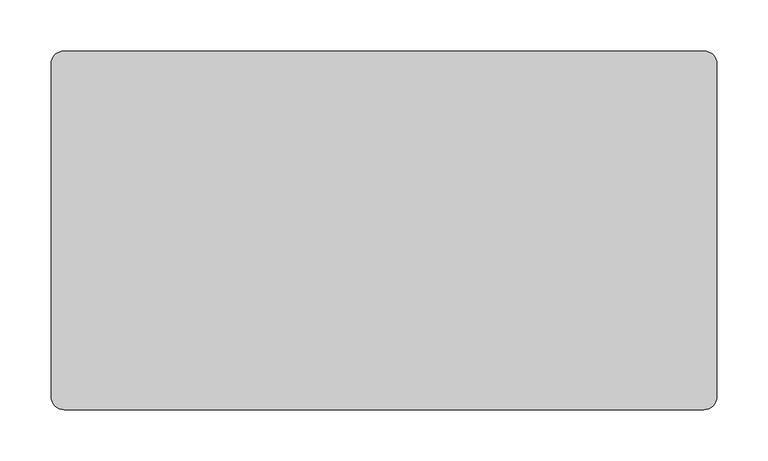
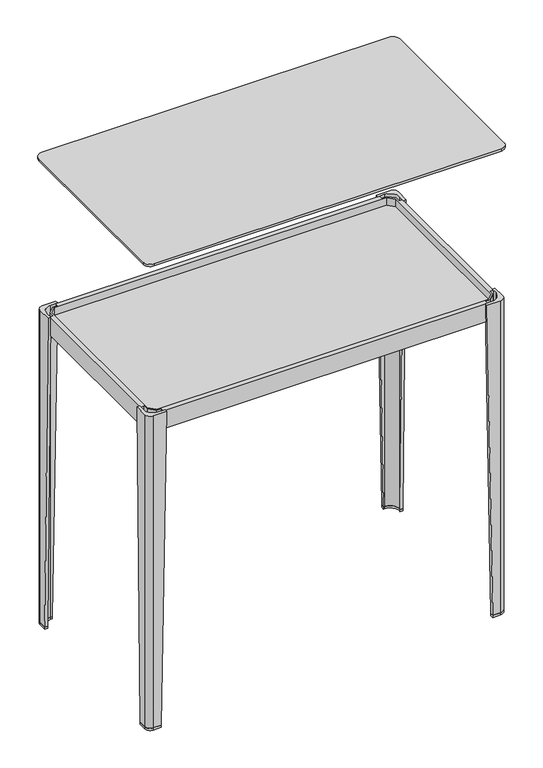
"""IFC4 building model written with IfcOpenShell, lengths in millimetres: furniture geometry."""

from ifc_helpers import new_model, si_unit, point, frame, frame_2d, origin, place, context, project, spatial, polyline, circle_curve, trimmed, segment, composite_curve, outline, extrude, source, transform, mapped, element, save
from ifc_brep_helpers import plane_surface, cylinder_surface, revolved_surface, advanced_brep


def furniture_9d32c331(model_context):
    return source(origin(), model_context, "Body", "SolidModel", [
        advanced_brep(
        [(156.1747115, -150.3399901, 276.4600147), (162.174712, -150.3399901, 276.4600147), (162.174712, -141.2900835, 276.4600147), (145.2247824, -124.3400512, 276.4600147), (136.1747127, -124.3399964, 276.4600147), (136.1747127, -130.3400481, 276.4600147), (145.5681096, -130.3400481, 276.4600147), (156.1747115, -140.9465954, 276.4600147), (156.1747115, -142.5065293, 261.4600037), (156.1747115, -140.9465954, 261.4600037), (145.5681096, -130.3400481, 261.4600037), (144.0082257, -130.3400481, 261.4600037), (144.0082257, -124.3400439, 261.4600037), (145.2247824, -124.3400512, 261.4600037), (162.174712, -141.2900835, 261.4600037), (162.174712, -142.5065293, 261.4600037)],
        [
            (0, 1),
            (1, 2),
            (2, 3, circle_curve(frame((145.2246797, -141.2900835, 276.4600147), z_axis=(0.0, 0.0, 1.0), x_axis=(0.0, 1.0, 0.0)), 16.9500323)),
            (3, 4),
            (4, 5),
            (5, 6),
            (6, 7),
            (7, 0),
            (8, 9),
            (9, 10),
            (10, 11),
            (11, 12),
            (12, 13),
            (13, 14, circle_curve(frame((145.2246797, -141.2900835, 261.4600037), z_axis=(0.0, 0.0, -1.0), x_axis=(0.0, 1.0, 0.0)), 16.9500323)),
            (14, 15),
            (15, 8),
            (15, 1),
            (0, 8),
            (14, 2),
            (13, 3),
            (12, 4),
            (11, 5),
            (10, 6),
            (9, 7),
        ],
        [
            plane_surface(frame((149.9801455, -136.5346004, 276.4600147), z_axis=(0.0, 0.0, 1.0), x_axis=(1.0, 0.0, 0.0))),
            plane_surface(frame((151.9385238, -134.5762411, 261.4600037), z_axis=(0.0, 0.0, -1.0), x_axis=(1.0, 0.0, 0.0))),
            plane_surface(frame((159.1747117, -142.5065293, 261.4600037), z_axis=(0.0, -0.8864062173017687, -0.46290821760773443), x_axis=(1.0, 0.0, 0.0))),
            plane_surface(frame((162.174712, -141.8983064, 261.4600037), z_axis=(1.0, 0.0, 0.0), x_axis=(0.0, 1.0, 0.0))),
            cylinder_surface(frame((145.2246797, -141.2900835, 261.4600037), z_axis=(0.0, 0.0, 1.0), x_axis=(0.0, 1.0, 0.0)), 16.9500323),
            plane_surface(frame((144.6165041, -124.3400475, 261.4600037), z_axis=(6.055831599460142e-06, 0.9999999999816634, 0.0), x_axis=(-0.9999999999816634, 6.055831599460142e-06, 0.0))),
            plane_surface(frame((144.0082257, -127.340046, 261.4600037), z_axis=(-0.8864049508100555, 0.0, -0.46291064275886235), x_axis=(0.0, -1.0, 0.0))),
            plane_surface(frame((144.7881677, -130.3400481, 261.4600037), z_axis=(0.0, -1.0, 0.0), x_axis=(1.0, 0.0, 0.0))),
            plane_surface(frame((150.8714105, -135.6433217, 261.4600037), z_axis=(-0.7071049644303125, -0.7071085979381149, 0.0), x_axis=(0.7071085979381149, -0.7071049644303125, 0.0))),
            plane_surface(frame((156.1747115, -141.7265623, 261.4600037), z_axis=(-1.0, 0.0, 0.0), x_axis=(0.0, -1.0, 0.0))),
        ],
        [
            (0, [[1, 2, 3, 4, 5, 6, 7, 8]]),
            (1, [[9, 10, 11, 12, 13, 14, 15, 16]]),
            (2, [[-16, 17, -1, 18]]),
            (3, [[-15, 19, -2, -17]]),
            (4, [[-14, 20, -3, -19]]),
            (5, [[-13, 21, -4, -20]]),
            (6, [[-12, 22, -5, -21]]),
            (7, [[-11, 23, -6, -22]]),
            (8, [[-10, 24, -7, -23]]),
            (9, [[-9, -18, -8, -24]]),
        ],
    ),
        advanced_brep(
        [(-467.0652878, -150.3399901, 276.4600147), (-467.0652878, -140.9465954, 276.4600147), (-456.4586859, -130.3400481, 276.4600147), (-447.065289, -130.3400481, 276.4600147), (-447.065289, -124.3399964, 276.4600147), (-456.1153587, -124.3400512, 276.4600147), (-473.0652883, -141.2900835, 276.4600147), (-473.0652883, -150.3399901, 276.4600147), (-467.0652878, -142.5065293, 261.4600037), (-473.0652883, -142.5065293, 261.4600037), (-473.0652883, -141.2900835, 261.4600037), (-456.1153587, -124.3400512, 261.4600037), (-454.898802, -124.3400439, 261.4600037), (-454.898802, -130.3400481, 261.4600037), (-456.4586859, -130.3400481, 261.4600037), (-467.0652878, -140.9465954, 261.4600037)],
        [
            (0, 1),
            (1, 2),
            (2, 3),
            (3, 4),
            (4, 5),
            (5, 6, circle_curve(frame((-456.115256, -141.2900835, 276.4600147), z_axis=(0.0, 0.0, 1.0), x_axis=(-0.9999999999816634, -6.055831308072628e-06, 0.0)), 16.9500323)),
            (6, 7),
            (7, 0),
            (8, 9),
            (9, 10),
            (10, 11, circle_curve(frame((-456.115256, -141.2900835, 261.4600037), z_axis=(0.0, 0.0, -1.0), x_axis=(-0.9999999999816634, -6.055831308072628e-06, 0.0)), 16.9500323)),
            (11, 12),
            (12, 13),
            (13, 14),
            (14, 15),
            (15, 8),
            (8, 0),
            (7, 9),
            (6, 10),
            (5, 11),
            (4, 12),
            (3, 13),
            (2, 14),
            (1, 15),
        ],
        [
            plane_surface(frame((-460.8707218, -136.5346004, 276.4600147), z_axis=(0.0, 0.0, 1.0), x_axis=(0.0, 1.0, 0.0))),
            plane_surface(frame((-462.8291001, -134.5762411, 261.4600037), z_axis=(0.0, 0.0, -1.0), x_axis=(0.0, 1.0, 0.0))),
            plane_surface(frame((-470.065288, -142.5065293, 261.4600037), z_axis=(0.0, -0.8864062173018147, -0.46290821760764644), x_axis=(1.0, 0.0, 0.0))),
            plane_surface(frame((-473.0652883, -141.8983064, 261.4600037), z_axis=(-1.0, 0.0, 0.0), x_axis=(0.0, -1.0, 0.0))),
            cylinder_surface(frame((-456.115256, -141.2900835, 261.4600037), z_axis=(0.0, 0.0, 1.0), x_axis=(-0.9999999999816634, -6.055831308072628e-06, 0.0)), 16.9500323),
            plane_surface(frame((-455.5070804, -124.3400475, 261.4600037), z_axis=(-6.05583151719894e-06, 0.9999999999816634, 0.0), x_axis=(-0.9999999999816634, -6.05583151719894e-06, 0.0))),
            plane_surface(frame((-454.898802, -127.340046, 261.4600037), z_axis=(0.8864049508100531, 0.0, -0.4629106427588671), x_axis=(0.0, 1.0, 0.0))),
            plane_surface(frame((-455.678744, -130.3400481, 261.4600037), z_axis=(0.0, -1.0, 0.0), x_axis=(1.0, 0.0, 0.0))),
            plane_surface(frame((-461.7619868, -135.6433217, 261.4600037), z_axis=(0.7071049644302342, -0.7071085979381933, 0.0), x_axis=(0.7071085979381933, 0.7071049644302342, 0.0))),
            plane_surface(frame((-467.0652878, -141.7265623, 261.4600037), z_axis=(1.0, 0.0, 0.0), x_axis=(0.0, 1.0, 0.0))),
        ],
        [
            (0, [[1, 2, 3, 4, 5, 6, 7, 8]]),
            (1, [[9, 10, 11, 12, 13, 14, 15, 16]]),
            (2, [[-9, 17, -8, 18]]),
            (3, [[-10, -18, -7, 19]]),
            (4, [[-11, -19, -6, 20]]),
            (5, [[-12, -20, -5, 21]]),
            (6, [[-13, -21, -4, 22]]),
            (7, [[-14, -22, -3, 23]]),
            (8, [[-15, -23, -2, 24]]),
            (9, [[-16, -24, -1, -17]]),
        ],
    ),
        advanced_brep(
        [(156.1747115, -433.8600099, 276.4600147), (156.1747115, -443.2534046, 276.4600147), (145.5681096, -453.8599519, 276.4600147), (136.1747127, -453.8599519, 276.4600147), (136.1747127, -459.8600036, 276.4600147), (145.2247824, -459.8599488, 276.4600147), (162.174712, -442.9099165, 276.4600147), (162.174712, -433.8600099, 276.4600147), (156.1747115, -441.6934707, 261.4600037), (162.174712, -441.6934707, 261.4600037), (162.174712, -442.9099165, 261.4600037), (145.2247824, -459.8599488, 261.4600037), (144.0082257, -459.8599561, 261.4600037), (144.0082257, -453.8599519, 261.4600037), (145.5681096, -453.8599519, 261.4600037), (156.1747115, -443.2534046, 261.4600037)],
        [
            (0, 1),
            (1, 2),
            (2, 3),
            (3, 4),
            (4, 5),
            (5, 6, circle_curve(frame((145.2246797, -442.9099165, 276.4600147), z_axis=(0.0, 0.0, 1.0), x_axis=(0.9999999999816634, 6.055831301732914e-06, 0.0)), 16.9500323)),
            (6, 7),
            (7, 0),
            (8, 9),
            (9, 10),
            (10, 11, circle_curve(frame((145.2246797, -442.9099165, 261.4600037), z_axis=(0.0, 0.0, -1.0), x_axis=(0.9999999999816634, 6.055831301732914e-06, 0.0)), 16.9500323)),
            (11, 12),
            (12, 13),
            (13, 14),
            (14, 15),
            (15, 8),
            (8, 0),
            (7, 9),
            (6, 10),
            (5, 11),
            (4, 12),
            (3, 13),
            (2, 14),
            (1, 15),
        ],
        [
            plane_surface(frame((149.9801455, -447.6653996, 276.4600147), z_axis=(0.0, 0.0, 1.0), x_axis=(0.0, -1.0, 0.0))),
            plane_surface(frame((151.9385238, -449.6237589, 261.4600037), z_axis=(0.0, 0.0, -1.0), x_axis=(0.0, -1.0, 0.0))),
            plane_surface(frame((159.1747117, -441.6934707, 261.4600037), z_axis=(0.0, 0.8864062173018016, -0.4629082176076716), x_axis=(-1.0, 0.0, 0.0))),
            plane_surface(frame((162.174712, -442.3016936, 261.4600037), z_axis=(1.0, 0.0, 0.0), x_axis=(0.0, 1.0, 0.0))),
            cylinder_surface(frame((145.2246797, -442.9099165, 261.4600037), z_axis=(0.0, 0.0, 1.0), x_axis=(0.9999999999816634, 6.055831301732914e-06, 0.0)), 16.9500323),
            plane_surface(frame((144.6165041, -459.8599525, 261.4600037), z_axis=(6.0558315620688244e-06, -0.9999999999816636, 0.0), x_axis=(0.9999999999816636, 6.0558315620688244e-06, 0.0))),
            plane_surface(frame((144.0082257, -456.859954, 261.4600037), z_axis=(-0.8864049508100555, 0.0, -0.46291064275886235), x_axis=(0.0, -1.0, 0.0))),
            plane_surface(frame((144.7881677, -453.8599519, 261.4600037), z_axis=(0.0, 1.0, 0.0), x_axis=(-1.0, 0.0, 0.0))),
            plane_surface(frame((150.8714105, -448.5566783, 261.4600037), z_axis=(-0.7071049644302505, 0.7071085979381769, 0.0), x_axis=(-0.7071085979381769, -0.7071049644302505, 0.0))),
            plane_surface(frame((156.1747115, -442.4734377, 261.4600037), z_axis=(-1.0, 0.0, 0.0), x_axis=(0.0, -1.0, 0.0))),
        ],
        [
            (0, [[1, 2, 3, 4, 5, 6, 7, 8]]),
            (1, [[9, 10, 11, 12, 13, 14, 15, 16]]),
            (2, [[-9, 17, -8, 18]]),
            (3, [[-10, -18, -7, 19]]),
            (4, [[-11, -19, -6, 20]]),
            (5, [[-12, -20, -5, 21]]),
            (6, [[-13, -21, -4, 22]]),
            (7, [[-14, -22, -3, 23]]),
            (8, [[-15, -23, -2, 24]]),
            (9, [[-16, -24, -1, -17]]),
        ],
    ),
        advanced_brep(
        [(-467.0652878, -433.8600099, 276.4600147), (-473.0652883, -433.8600099, 276.4600147), (-473.0652883, -442.9099165, 276.4600147), (-456.1153587, -459.8599488, 276.4600147), (-447.065289, -459.8600036, 276.4600147), (-447.065289, -453.8599519, 276.4600147), (-456.4586859, -453.8599519, 276.4600147), (-467.0652878, -443.2534046, 276.4600147), (-467.0652878, -441.6934707, 261.4600037), (-467.0652878, -443.2534046, 261.4600037), (-456.4586859, -453.8599519, 261.4600037), (-454.898802, -453.8599519, 261.4600037), (-454.898802, -459.8599561, 261.4600037), (-456.1153587, -459.8599488, 261.4600037), (-473.0652883, -442.9099165, 261.4600037), (-473.0652883, -441.6934707, 261.4600037)],
        [
            (0, 1),
            (1, 2),
            (2, 3, circle_curve(frame((-456.115256, -442.9099165, 276.4600147), z_axis=(0.0, 0.0, 1.0), x_axis=(0.0, -1.0, 0.0)), 16.9500323)),
            (3, 4),
            (4, 5),
            (5, 6),
            (6, 7),
            (7, 0),
            (8, 9),
            (9, 10),
            (10, 11),
            (11, 12),
            (12, 13),
            (13, 14, circle_curve(frame((-456.115256, -442.9099165, 261.4600037), z_axis=(0.0, 0.0, -1.0), x_axis=(0.0, -1.0, 0.0)), 16.9500323)),
            (14, 15),
            (15, 8),
            (15, 1),
            (0, 8),
            (14, 2),
            (13, 3),
            (12, 4),
            (11, 5),
            (10, 6),
            (9, 7),
        ],
        [
            plane_surface(frame((-460.8707218, -447.6653996, 276.4600147), z_axis=(0.0, 0.0, 1.0), x_axis=(-1.0, 0.0, 0.0))),
            plane_surface(frame((-462.8291001, -449.6237589, 261.4600037), z_axis=(0.0, 0.0, -1.0), x_axis=(-1.0, 0.0, 0.0))),
            plane_surface(frame((-470.065288, -441.6934707, 261.4600037), z_axis=(0.0, 0.8864062173018442, -0.4629082176075899), x_axis=(-1.0, 0.0, 0.0))),
            plane_surface(frame((-473.0652883, -442.3016936, 261.4600037), z_axis=(-1.0, 0.0, 0.0), x_axis=(0.0, -1.0, 0.0))),
            cylinder_surface(frame((-456.115256, -442.9099165, 261.4600037), z_axis=(0.0, 0.0, 1.0), x_axis=(0.0, -1.0, 0.0)), 16.9500323),
            plane_surface(frame((-455.5070804, -459.8599525, 261.4600037), z_axis=(-6.055831547112392e-06, -0.9999999999816634, 0.0), x_axis=(0.9999999999816634, -6.055831547112392e-06, 0.0))),
            plane_surface(frame((-454.898802, -456.859954, 261.4600037), z_axis=(0.8864049508100547, 0.0, -0.4629106427588639), x_axis=(0.0, 1.0, 0.0))),
            plane_surface(frame((-455.678744, -453.8599519, 261.4600037), z_axis=(0.0, 1.0, 0.0), x_axis=(-1.0, 0.0, 0.0))),
            plane_surface(frame((-461.7619868, -448.5566783, 261.4600037), z_axis=(0.70710496443025, 0.7071085979381775, 0.0), x_axis=(-0.7071085979381775, 0.70710496443025, 0.0))),
            plane_surface(frame((-467.0652878, -442.4734377, 261.4600037), z_axis=(1.0, 0.0, 0.0), x_axis=(0.0, 1.0, 0.0))),
        ],
        [
            (0, [[1, 2, 3, 4, 5, 6, 7, 8]]),
            (1, [[9, 10, 11, 12, 13, 14, 15, 16]]),
            (2, [[-16, 17, -1, 18]]),
            (3, [[-15, 19, -2, -17]]),
            (4, [[-14, 20, -3, -19]]),
            (5, [[-13, 21, -4, -20]]),
            (6, [[-12, 22, -5, -21]]),
            (7, [[-11, 23, -6, -22]]),
            (8, [[-10, 24, -7, -23]]),
            (9, [[-9, -18, -8, -24]]),
        ],
    ),
        extrude(outline(polyline([(-464.5652882, -142.8399859), (-454.5652877, -132.8399854), (143.6747146, -132.8399854), (153.6746856, -142.8399859), (153.6746856, -441.3599882), (143.6747146, -451.3599592), (-454.5652877, -451.3599592), (-464.5652882, -441.3599882), (-464.5652882, -142.8399859)])), frame((0.0, 0.0, 276.4600147), z_axis=(0.0, 0.0, 1.0), x_axis=(1.0, 0.0, 0.0)), (0.0, 0.0, 1.0), 19.9999965),
        extrude(outline(polyline([(-473.0652883, -150.3399846), (-467.0652878, -150.3399846), (-467.0652878, -140.9465877), (-456.4586859, -130.3693149), (-447.065289, -130.3693149), (-447.065289, -124.3761924), (136.1747363, -124.3797244), (136.1747363, -130.3693149), (145.568131, -130.3693149), (156.1746783, -140.9465877), (156.1746783, -150.3399846), (162.174712, -150.3399846), (162.174712, -433.8600099), (156.1746783, -433.8600099), (156.1746783, -443.2534046), (145.568131, -453.8321305), (136.1747363, -453.8321305), (136.1747363, -459.8202758), (-447.065289, -459.8238078), (-447.065289, -453.830623), (-456.4586859, -453.830623), (-467.0652878, -443.2534046), (-467.0652878, -433.8600099), (-473.0652883, -433.8600099), (-473.0652883, -150.3399846)]), holes=[polyline([(-454.5652877, -451.3321377), (143.6747146, -451.3321377), (153.6746856, -441.3599882), (153.6746856, -142.8399859), (143.6747146, -132.8693144), (-454.5652877, -132.8693144), (-464.5652882, -142.8399859), (-464.5652882, -441.3599882), (-454.5652877, -451.3321377)])]), frame((0.0, 0.0, 276.4600147), z_axis=(0.0, 0.0, 1.0), x_axis=(1.0, 0.0, 0.0)), (0.0, 0.0, 1.0), 34.5000017),
        extrude(outline(composite_curve([segment(polyline([(-454.0652887, -119.3401441), (-454.0652887, -124.3400388), (-456.1153587, -124.3400512)]), True, "CONTINUOUS"), segment(trimmed(circle_curve(frame_2d((-456.115256, -141.2900835)), 16.9500323), [point((-456.1153587, -124.3400512))], [point((-473.0652883, -141.2900835))], True, "CARTESIAN"), True, "CONTINUOUS"), segment(polyline([(-473.0652883, -141.2900835), (-473.0652883, -143.3399813), (-478.0650423, -143.3399813), (-478.0650423, -128.9449672)]), True, "CONTINUOUS"), segment(trimmed(circle_curve(frame_2d((-468.4602193, -128.9449672)), 9.604823), [point((-478.0650423, -128.9449672))], [point((-468.4602193, -119.3401441))], False, "CARTESIAN"), True, "CONTINUOUS"), segment(polyline([(-468.4602193, -119.3401441), (-454.0652887, -119.3401441)]), True, "CONTINUOUS")], self_intersect=False)), frame((0.0, 0.0, -286.5199942), z_axis=(0.0, 0.0, 1.0), x_axis=(1.0, 0.0, 0.0)), (0.0, 0.0, 1.0), 4.0),
        advanced_brep(
        [(-468.4602193, -119.3401441, 311.4600223), (-478.0650423, -128.9449672, 311.4600223), (-478.0650423, -153.340025, 311.4600223), (-473.0652883, -153.340025, 311.4600223), (-473.0652883, -141.2900835, 311.4600223), (-456.1153587, -124.3400512, 311.4600223), (-444.0652881, -124.3399783, 311.4600223), (-444.0652881, -119.3401441, 311.4600223), (-468.4602193, -119.3401441, -282.5199942), (-454.0652887, -119.3401441, -282.5199942), (-454.0652887, -124.3400388, -282.5199942), (-456.1153587, -124.3400512, -282.5199942), (-473.0652883, -141.2900835, -282.5199942), (-473.0652883, -143.3399813, -282.5199942), (-478.0650423, -143.3399813, -282.5199942), (-478.0650423, -128.9449672, -282.5199942)],
        [
            (0, 1, circle_curve(frame((-468.4602193, -128.9449672, 311.4600223), z_axis=(0.0, 0.0, 1.0), x_axis=(-1.0, 0.0, 0.0)), 9.604823)),
            (1, 2),
            (2, 3),
            (3, 4),
            (4, 5, circle_curve(frame((-456.115256, -141.2900835, 311.4600223), z_axis=(0.0, 0.0, -1.0), x_axis=(0.0, 1.0, 0.0)), 16.9500323)),
            (5, 6),
            (6, 7),
            (7, 0),
            (8, 9),
            (9, 10),
            (10, 11),
            (11, 12, circle_curve(frame((-456.115256, -141.2900835, -282.5199942), z_axis=(0.0, 0.0, 1.0), x_axis=(0.0, 1.0, 0.0)), 16.9500323)),
            (12, 13),
            (13, 14),
            (14, 15),
            (15, 8, circle_curve(frame((-468.4602193, -128.9449672, -282.5199942), z_axis=(0.0, 0.0, -1.0), x_axis=(-1.0, 0.0, 0.0)), 9.604823)),
            (10, 6),
            (5, 11),
            (14, 2),
            (1, 15),
            (0, 8),
            (7, 9),
            (13, 3),
            (4, 12),
        ],
        [
            plane_surface(frame((-464.3708519, -133.0344273, 311.4600223), z_axis=(0.0, 0.0, 1.0), x_axis=(0.0, 1.0, 0.0))),
            plane_surface(frame((-466.8708521, -130.534424, -282.5199942), z_axis=(0.0, 0.0, -1.0), x_axis=(0.0, 1.0, 0.0))),
            plane_surface(frame((-455.0903237, -124.340045, -282.5199942), z_axis=(6.055830889075174e-06, -0.9999999999816634, 0.0), x_axis=(0.9999999999816634, 6.055830889075174e-06, 0.0))),
            plane_surface(frame((-478.0650423, -136.1424742, -282.5199942), z_axis=(-1.0, 0.0, 0.0), x_axis=(0.0, -1.0, 0.0))),
            cylinder_surface(frame((-468.4602193, -128.9449672, -282.5199942), z_axis=(0.0, 0.0, 1.0), x_axis=(-1.0, 0.0, 0.0)), 9.604823),
            plane_surface(frame((-461.262754, -119.3401441, -282.5199942), z_axis=(0.0, 1.0, 0.0), x_axis=(-1.0, 0.0, 0.0))),
            plane_surface(frame((-454.0652887, -121.8400915, -282.5199942), z_axis=(0.9998583116727935, 0.0, -0.016833198710613066), x_axis=(0.0, 1.0, 0.0))),
            plane_surface(frame((-475.5651653, -143.3399813, -282.5199942), z_axis=(0.0, -0.9998583104503462, -0.016833271321376655), x_axis=(1.0, 0.0, 0.0))),
            revolved_surface(polyline([(-456.115256, -124.3400512, 311.46002229999993), (-456.115256, -124.3400512, -282.5199942)]), (-456.115256, -141.2900835, -282.5199942), (0.0, 0.0, 1.0)),
            plane_surface(frame((-473.0652883, -142.3150324, -282.5199942), z_axis=(1.0, 0.0, 0.0), x_axis=(0.0, 1.0, 0.0))),
        ],
        [
            (0, [[1, 2, 3, 4, 5, 6, 7, 8]]),
            (1, [[9, 10, 11, 12, 13, 14, 15, 16]]),
            (2, [[-11, 17, -6, 18]]),
            (3, [[-15, 19, -2, 20]]),
            (4, [[-16, -20, -1, 21]]),
            (5, [[-9, -21, -8, 22]]),
            (6, [[-10, -22, -7, -17]]),
            (7, [[-14, 23, -3, -19]]),
            (8, [[-12, -18, -5, 24]]),
            (9, [[-13, -24, -4, -23]]),
        ],
    ),
        extrude(outline(composite_curve([segment(polyline([(143.1747124, -119.3401441), (157.569643, -119.3401441)]), True, "CONTINUOUS"), segment(trimmed(circle_curve(frame_2d((157.569643, -128.9449672)), 9.604823), [point((157.569643, -119.3401441))], [point((167.174466, -128.9449672))], False, "CARTESIAN"), True, "CONTINUOUS"), segment(polyline([(167.174466, -128.9449672), (167.174466, -143.3399813), (162.174712, -143.3399813), (162.174712, -141.2900835)]), True, "CONTINUOUS"), segment(trimmed(circle_curve(frame_2d((145.2246797, -141.2900835)), 16.9500323), [point((162.174712, -141.2900835))], [point((145.2247824, -124.3400512))], True, "CARTESIAN"), True, "CONTINUOUS"), segment(polyline([(145.2247824, -124.3400512), (143.1747124, -124.3400388), (143.1747124, -119.3401441)]), True, "CONTINUOUS")], self_intersect=False)), frame((0.0, 0.0, -286.5199942), z_axis=(0.0, 0.0, 1.0), x_axis=(1.0, 0.0, 0.0)), (0.0, 0.0, 1.0), 4.0),
        advanced_brep(
        [(157.569643, -119.3401441, 311.4600223), (133.1747118, -119.3401441, 311.4600223), (133.1747118, -124.3399783, 311.4600223), (145.2247824, -124.3400512, 311.4600223), (162.174712, -141.2900835, 311.4600223), (162.174712, -153.340025, 311.4600223), (167.174466, -153.340025, 311.4600223), (167.174466, -128.9449672, 311.4600223), (157.569643, -119.3401441, -282.5199942), (167.174466, -128.9449672, -282.5199942), (167.174466, -143.3399813, -282.5199942), (162.174712, -143.3399813, -282.5199942), (162.174712, -141.2900835, -282.5199942), (145.2247824, -124.3400512, -282.5199942), (143.1747124, -124.3400388, -282.5199942), (143.1747124, -119.3401441, -282.5199942)],
        [
            (0, 1),
            (1, 2),
            (2, 3),
            (3, 4, circle_curve(frame((145.2246797, -141.2900835, 311.4600223), z_axis=(0.0, 0.0, -1.0), x_axis=(0.9999999999816634, -6.055831369081084e-06, 0.0)), 16.9500323)),
            (4, 5),
            (5, 6),
            (6, 7),
            (7, 0, circle_curve(frame((157.569643, -128.9449672, 311.4600223), z_axis=(0.0, 0.0, 1.0), x_axis=(0.0, 1.0, 0.0)), 9.604823)),
            (8, 9, circle_curve(frame((157.569643, -128.9449672, -282.5199942), z_axis=(0.0, 0.0, -1.0), x_axis=(0.0, 1.0, 0.0)), 9.604823)),
            (9, 10),
            (10, 11),
            (11, 12),
            (12, 13, circle_curve(frame((145.2246797, -141.2900835, -282.5199942), z_axis=(0.0, 0.0, 1.0), x_axis=(0.9999999999816634, -6.055831369081084e-06, 0.0)), 16.9500323)),
            (13, 14),
            (14, 15),
            (15, 8),
            (13, 3),
            (2, 14),
            (9, 7),
            (6, 10),
            (8, 0),
            (15, 1),
            (5, 11),
            (12, 4),
        ],
        [
            plane_surface(frame((153.4802756, -133.0344273, 311.4600223), z_axis=(0.0, 0.0, 1.0), x_axis=(1.0, 0.0, 0.0))),
            plane_surface(frame((155.9802758, -130.534424, -282.5199942), z_axis=(0.0, 0.0, -1.0), x_axis=(1.0, 0.0, 0.0))),
            plane_surface(frame((144.1997474, -124.340045, -282.5199942), z_axis=(-6.055832113485062e-06, -0.9999999999816636, 0.0), x_axis=(0.9999999999816636, -6.055832113485062e-06, 0.0))),
            plane_surface(frame((167.174466, -136.1424742, -282.5199942), z_axis=(1.0, 0.0, 0.0), x_axis=(0.0, 1.0, 0.0))),
            cylinder_surface(frame((157.569643, -128.9449672, -282.5199942), z_axis=(0.0, 0.0, 1.0), x_axis=(0.0, 1.0, 0.0)), 9.604823),
            plane_surface(frame((150.3721777, -119.3401441, -282.5199942), z_axis=(0.0, 1.0, 0.0), x_axis=(-1.0, 0.0, 0.0))),
            plane_surface(frame((143.1747124, -121.8400915, -282.5199942), z_axis=(-0.9998583116727936, 0.0, -0.01683319871060802), x_axis=(0.0, -1.0, 0.0))),
            plane_surface(frame((164.674589, -143.3399813, -282.5199942), z_axis=(0.0, -0.999858310450344, -0.016833271321508653), x_axis=(1.0, 0.0, 0.0))),
            revolved_surface(polyline([(162.17471199968918, -141.2901861465373, 311.46002229999993), (162.17471199968918, -141.2901861465373, -282.5199942)]), (145.2246797, -141.2900835, -282.5199942), (0.0, 0.0, 1.0)),
            plane_surface(frame((162.174712, -142.3150324, -282.5199942), z_axis=(-1.0, 0.0, 0.0), x_axis=(0.0, -1.0, 0.0))),
        ],
        [
            (0, [[1, 2, 3, 4, 5, 6, 7, 8]]),
            (1, [[9, 10, 11, 12, 13, 14, 15, 16]]),
            (2, [[-14, 17, -3, 18]]),
            (3, [[-10, 19, -7, 20]]),
            (4, [[-9, 21, -8, -19]]),
            (5, [[-16, 22, -1, -21]]),
            (6, [[-15, -18, -2, -22]]),
            (7, [[-11, -20, -6, 23]]),
            (8, [[-13, 24, -4, -17]]),
            (9, [[-12, -23, -5, -24]]),
        ],
    ),
        extrude(outline(composite_curve([segment(polyline([(143.1747124, -464.8598559), (143.1747124, -459.8599612), (145.2247824, -459.8599488)]), True, "CONTINUOUS"), segment(trimmed(circle_curve(frame_2d((145.2246797, -442.9099165)), 16.9500323), [point((145.2247824, -459.8599488))], [point((162.174712, -442.9099165))], True, "CARTESIAN"), True, "CONTINUOUS"), segment(polyline([(162.174712, -442.9099165), (162.174712, -440.8600187), (167.174466, -440.8600187), (167.174466, -455.2550328)]), True, "CONTINUOUS"), segment(trimmed(circle_curve(frame_2d((157.569643, -455.2550328)), 9.604823), [point((167.174466, -455.2550328))], [point((157.569643, -464.8598559))], False, "CARTESIAN"), True, "CONTINUOUS"), segment(polyline([(157.569643, -464.8598559), (143.1747124, -464.8598559)]), True, "CONTINUOUS")], self_intersect=False)), frame((0.0, 0.0, -286.5199942), z_axis=(0.0, 0.0, 1.0), x_axis=(1.0, 0.0, 0.0)), (0.0, 0.0, 1.0), 4.0),
        advanced_brep(
        [(157.569643, -464.8598559, 311.4600223), (167.174466, -455.2550328, 311.4600223), (167.174466, -430.859975, 311.4600223), (162.174712, -430.859975, 311.4600223), (162.174712, -442.9099165, 311.4600223), (145.2247824, -459.8599488, 311.4600223), (133.1747118, -459.8600217, 311.4600223), (133.1747118, -464.8598559, 311.4600223), (157.569643, -464.8598559, -282.5199942), (143.1747124, -464.8598559, -282.5199942), (143.1747124, -459.8599612, -282.5199942), (145.2247824, -459.8599488, -282.5199942), (162.174712, -442.9099165, -282.5199942), (162.174712, -440.8600187, -282.5199942), (167.174466, -440.8600187, -282.5199942), (167.174466, -455.2550328, -282.5199942)],
        [
            (0, 1, circle_curve(frame((157.569643, -455.2550328, 311.4600223), z_axis=(0.0, 0.0, 1.0), x_axis=(1.0, 0.0, 0.0)), 9.604823)),
            (1, 2),
            (2, 3),
            (3, 4),
            (4, 5, circle_curve(frame((145.2246797, -442.9099165, 311.4600223), z_axis=(0.0, 0.0, -1.0), x_axis=(0.0, -1.0, 0.0)), 16.9500323)),
            (5, 6),
            (6, 7),
            (7, 0),
            (8, 9),
            (9, 10),
            (10, 11),
            (11, 12, circle_curve(frame((145.2246797, -442.9099165, -282.5199942), z_axis=(0.0, 0.0, 1.0), x_axis=(0.0, -1.0, 0.0)), 16.9500323)),
            (12, 13),
            (13, 14),
            (14, 15),
            (15, 8, circle_curve(frame((157.569643, -455.2550328, -282.5199942), z_axis=(0.0, 0.0, -1.0), x_axis=(1.0, 0.0, 0.0)), 9.604823)),
            (10, 6),
            (5, 11),
            (14, 2),
            (1, 15),
            (0, 8),
            (7, 9),
            (13, 3),
            (4, 12),
        ],
        [
            plane_surface(frame((153.4802756, -451.1655727, 311.4600223), z_axis=(0.0, 0.0, 1.0), x_axis=(0.0, -1.0, 0.0))),
            plane_surface(frame((155.9802758, -453.665576, -282.5199942), z_axis=(0.0, 0.0, -1.0), x_axis=(0.0, -1.0, 0.0))),
            plane_surface(frame((144.1997474, -459.859955, -282.5199942), z_axis=(-6.055831360894176e-06, 0.9999999999816636, 0.0), x_axis=(-0.9999999999816636, -6.055831360894176e-06, 0.0))),
            plane_surface(frame((167.174466, -448.0575258, -282.5199942), z_axis=(1.0, 0.0, 0.0), x_axis=(0.0, 1.0, 0.0))),
            cylinder_surface(frame((157.569643, -455.2550328, -282.5199942), z_axis=(0.0, 0.0, 1.0), x_axis=(1.0, 0.0, 0.0)), 9.604823),
            plane_surface(frame((150.3721777, -464.8598559, -282.5199942), z_axis=(0.0, -1.0, 0.0), x_axis=(1.0, 0.0, 0.0))),
            plane_surface(frame((143.1747124, -462.3599085, -282.5199942), z_axis=(-0.9998583116727942, 0.0, -0.0168331987105734), x_axis=(0.0, -1.0, 0.0))),
            plane_surface(frame((164.674589, -440.8600187, -282.5199942), z_axis=(0.0, 0.9998583104503439, -0.016833271321515145), x_axis=(-1.0, 0.0, 0.0))),
            revolved_surface(polyline([(145.2246797, -459.8599488, 311.46002229999993), (145.2246797, -459.8599488, -282.5199942)]), (145.2246797, -442.9099165, -282.5199942), (0.0, 0.0, 1.0)),
            plane_surface(frame((162.174712, -441.8849676, -282.5199942), z_axis=(-1.0, 0.0, 0.0), x_axis=(0.0, -1.0, 0.0))),
        ],
        [
            (0, [[1, 2, 3, 4, 5, 6, 7, 8]]),
            (1, [[9, 10, 11, 12, 13, 14, 15, 16]]),
            (2, [[-11, 17, -6, 18]]),
            (3, [[-15, 19, -2, 20]]),
            (4, [[-16, -20, -1, 21]]),
            (5, [[-9, -21, -8, 22]]),
            (6, [[-10, -22, -7, -17]]),
            (7, [[-14, 23, -3, -19]]),
            (8, [[-12, -18, -5, 24]]),
            (9, [[-13, -24, -4, -23]]),
        ],
    ),
        extrude(outline(composite_curve([segment(polyline([(-454.0652887, -464.8598559), (-468.4602193, -464.8598559)]), True, "CONTINUOUS"), segment(trimmed(circle_curve(frame_2d((-468.4602193, -455.2550328)), 9.604823), [point((-468.4602193, -464.8598559))], [point((-478.0650423, -455.2550328))], False, "CARTESIAN"), True, "CONTINUOUS"), segment(polyline([(-478.0650423, -455.2550328), (-478.0650423, -440.8600187), (-473.0652883, -440.8600187), (-473.0652883, -442.9099165)]), True, "CONTINUOUS"), segment(trimmed(circle_curve(frame_2d((-456.115256, -442.9099165)), 16.9500323), [point((-473.0652883, -442.9099165))], [point((-456.1153587, -459.8599488))], True, "CARTESIAN"), True, "CONTINUOUS"), segment(polyline([(-456.1153587, -459.8599488), (-454.0652887, -459.8599612), (-454.0652887, -464.8598559)]), True, "CONTINUOUS")], self_intersect=False)), frame((0.0, 0.0, -286.5199942), z_axis=(0.0, 0.0, 1.0), x_axis=(1.0, 0.0, 0.0)), (0.0, 0.0, 1.0), 4.0),
        advanced_brep(
        [(-468.4602193, -464.8598559, 311.4600223), (-444.0652881, -464.8598559, 311.4600223), (-444.0652881, -459.8600217, 311.4600223), (-456.1153587, -459.8599488, 311.4600223), (-473.0652883, -442.9099165, 311.4600223), (-473.0652883, -430.859975, 311.4600223), (-478.0650423, -430.859975, 311.4600223), (-478.0650423, -455.2550328, 311.4600223), (-468.4602193, -464.8598559, -282.5199942), (-478.0650423, -455.2550328, -282.5199942), (-478.0650423, -440.8600187, -282.5199942), (-473.0652883, -440.8600187, -282.5199942), (-473.0652883, -442.9099165, -282.5199942), (-456.1153587, -459.8599488, -282.5199942), (-454.0652887, -459.8599612, -282.5199942), (-454.0652887, -464.8598559, -282.5199942)],
        [
            (0, 1),
            (1, 2),
            (2, 3),
            (3, 4, circle_curve(frame((-456.115256, -442.9099165, 311.4600223), z_axis=(0.0, 0.0, -1.0), x_axis=(-0.9999999999816634, 6.055828880925937e-06, 0.0)), 16.9500323)),
            (4, 5),
            (5, 6),
            (6, 7),
            (7, 0, circle_curve(frame((-468.4602193, -455.2550328, 311.4600223), z_axis=(0.0, 0.0, 1.0), x_axis=(0.0, -1.0, 0.0)), 9.604823)),
            (8, 9, circle_curve(frame((-468.4602193, -455.2550328, -282.5199942), z_axis=(0.0, 0.0, -1.0), x_axis=(0.0, -1.0, 0.0)), 9.604823)),
            (9, 10),
            (10, 11),
            (11, 12),
            (12, 13, circle_curve(frame((-456.115256, -442.9099165, -282.5199942), z_axis=(0.0, 0.0, 1.0), x_axis=(-0.9999999999816634, 6.055828880925937e-06, 0.0)), 16.9500323)),
            (13, 14),
            (14, 15),
            (15, 8),
            (13, 3),
            (2, 14),
            (9, 7),
            (6, 10),
            (8, 0),
            (15, 1),
            (5, 11),
            (12, 4),
        ],
        [
            plane_surface(frame((-464.3708519, -451.1655727, 311.4600223), z_axis=(0.0, 0.0, 1.0), x_axis=(-1.0, 0.0, 0.0))),
            plane_surface(frame((-466.8708521, -453.665576, -282.5199942), z_axis=(0.0, 0.0, -1.0), x_axis=(-1.0, 0.0, 0.0))),
            plane_surface(frame((-455.0903237, -459.859955, -282.5199942), z_axis=(6.055831360872017e-06, 0.9999999999816636, 0.0), x_axis=(-0.9999999999816636, 6.055831360872017e-06, 0.0))),
            plane_surface(frame((-478.0650423, -448.0575258, -282.5199942), z_axis=(-1.0, 0.0, 0.0), x_axis=(0.0, -1.0, 0.0))),
            cylinder_surface(frame((-468.4602193, -455.2550328, -282.5199942), z_axis=(0.0, 0.0, 1.0), x_axis=(0.0, -1.0, 0.0)), 9.604823),
            plane_surface(frame((-461.262754, -464.8598559, -282.5199942), z_axis=(0.0, -1.0, 0.0), x_axis=(1.0, 0.0, 0.0))),
            plane_surface(frame((-454.0652887, -462.3599085, -282.5199942), z_axis=(0.9998583116727943, 0.0, -0.016833198710569975), x_axis=(0.0, 1.0, 0.0))),
            plane_surface(frame((-475.5651653, -440.8600187, -282.5199942), z_axis=(0.0, 0.9998583104503431, -0.016833271321565223), x_axis=(-1.0, 0.0, 0.0))),
            revolved_surface(polyline([(-473.0652882996892, -442.9098138535049, 311.46002229999993), (-473.0652882996892, -442.9098138535049, -282.5199942)]), (-456.115256, -442.9099165, -282.5199942), (0.0, 0.0, 1.0)),
            plane_surface(frame((-473.0652883, -441.8849676, -282.5199942), z_axis=(1.0, 0.0, 0.0), x_axis=(0.0, 1.0, 0.0))),
        ],
        [
            (0, [[1, 2, 3, 4, 5, 6, 7, 8]]),
            (1, [[9, 10, 11, 12, 13, 14, 15, 16]]),
            (2, [[-14, 17, -3, 18]]),
            (3, [[-10, 19, -7, 20]]),
            (4, [[-9, 21, -8, -19]]),
            (5, [[-16, 22, -1, -21]]),
            (6, [[-15, -18, -2, -22]]),
            (7, [[-11, -20, -6, 23]]),
            (8, [[-13, 24, -4, -17]]),
            (9, [[-12, -23, -5, -24]]),
        ],
    ),
        extrude(outline(composite_curve([segment(trimmed(circle_curve(frame_2d((156.9747118, -129.54)), 12.7), [point((156.9747118, -116.84))], [point((169.6747118, -129.54))], False, "CARTESIAN"), True, "CONTINUOUS"), segment(polyline([(169.6747118, -129.54), (169.6747118, -454.66)]), True, "CONTINUOUS"), segment(trimmed(circle_curve(frame_2d((156.9747118, -454.66)), 12.7), [point((169.6747118, -454.66))], [point((156.9747118, -467.36))], False, "CARTESIAN"), True, "CONTINUOUS"), segment(polyline([(156.9747118, -467.36), (-467.8652882, -467.36)]), True, "CONTINUOUS"), segment(trimmed(circle_curve(frame_2d((-467.8652882, -454.66)), 12.7), [point((-467.8652882, -467.36))], [point((-480.5652882, -454.66))], False, "CARTESIAN"), True, "CONTINUOUS"), segment(polyline([(-480.5652882, -454.66), (-480.5652882, -129.54)]), True, "CONTINUOUS"), segment(trimmed(circle_curve(frame_2d((-467.8652882, -129.54)), 12.7), [point((-480.5652882, -129.54))], [point((-467.8652882, -116.84))], False, "CARTESIAN"), True, "CONTINUOUS"), segment(polyline([(-467.8652882, -116.84), (156.9747118, -116.84)]), True, "CONTINUOUS")], self_intersect=False)), frame((0.0, 0.0, 597.9800164), z_axis=(0.0, 0.0, 1.0), x_axis=(1.0, 0.0, 0.0)), (0.0, 0.0, 1.0), 3.9999836),
    ])


if __name__ == "__main__":
    model = new_model("IFC4")
    model_context = context("Model", 3, world=origin())
    ifc_project = project(units=[si_unit("LENGTHUNIT", "METRE", prefix="MILLI")], contexts=[model_context])
    site = spatial("IfcSite", under=ifc_project)
    building = spatial("IfcBuilding", under=site)
    placement = place(None, origin())
    furniture_shape = furniture_9d32c331(model_context)
    element("IfcFurniture", 1, at=placement, inside=building, context=model_context, shape_type="MappedRepresentation", body=[
        mapped(furniture_shape, transform((0.0, 0.0, 0.0), x_axis=(1.0, 0.0, 0.0), y_axis=(0.0, 1.0, 0.0), z_axis=(0.0, 0.0, 1.0))),
    ])
    save(model, "model.ifc")
